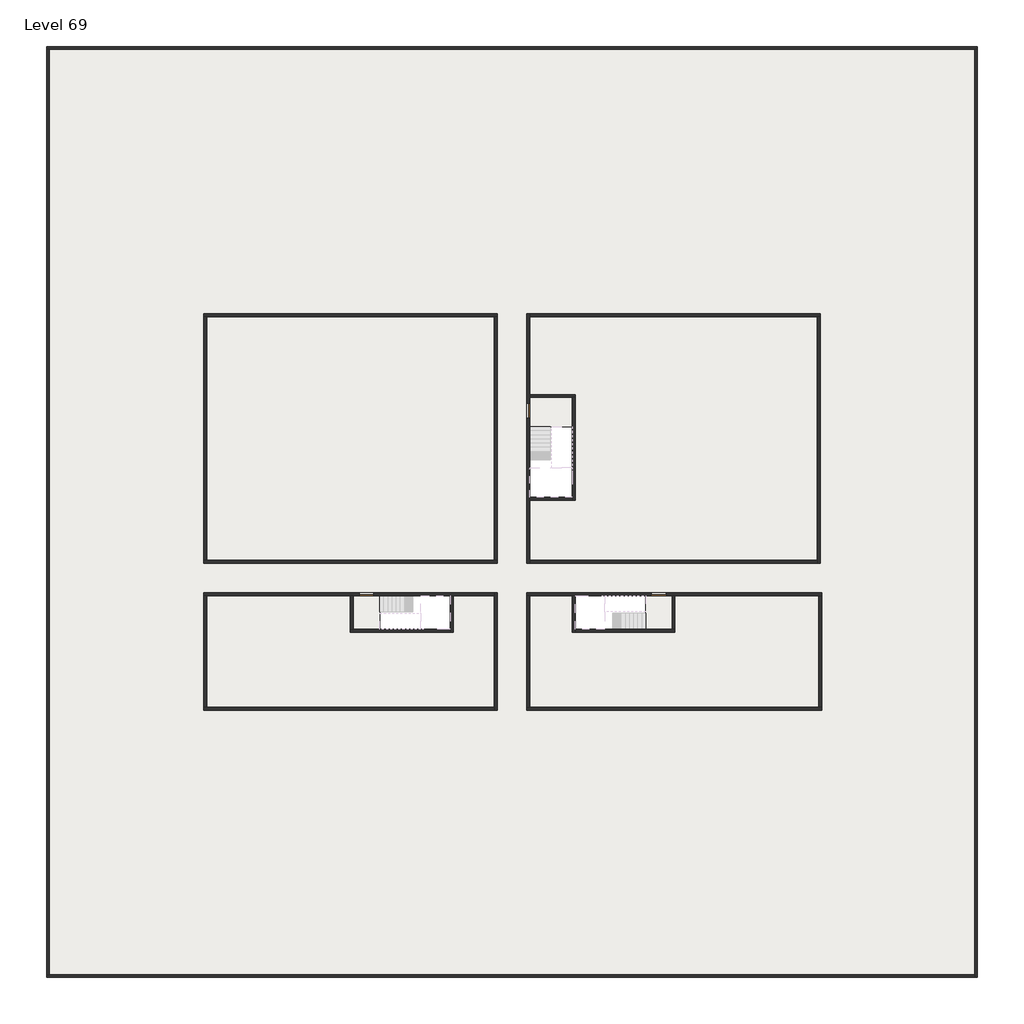
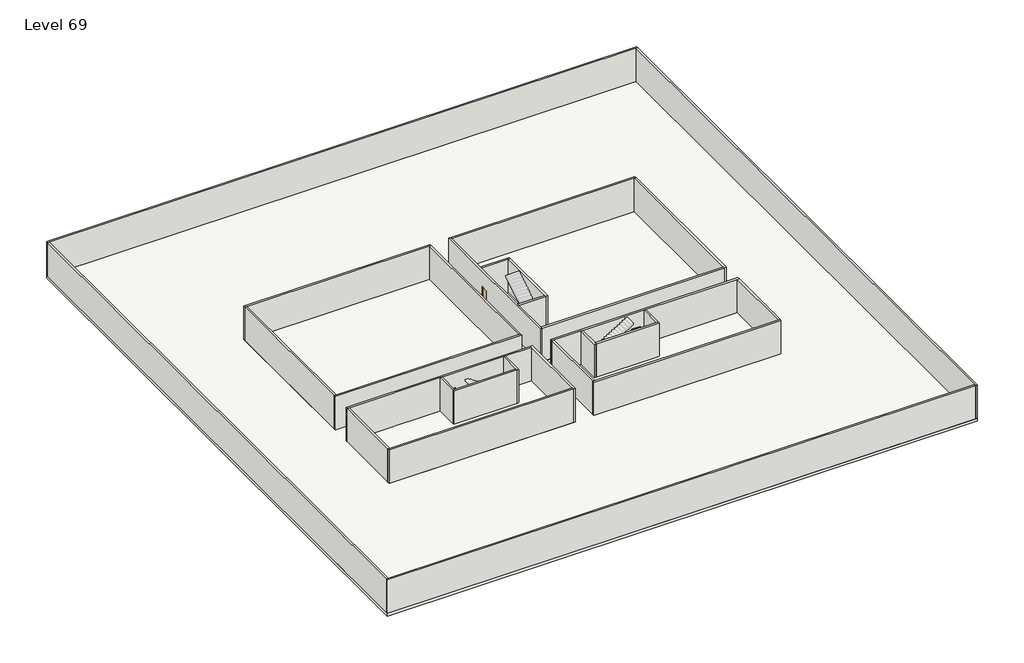
# One storey, part 1 of 2: 29 walls, 3 doors, 3 slabs.
"""IFC4 building model written with IfcOpenShell, lengths in millimetres."""

import ifcopenshell
import ifcopenshell.guid

model = None  # the IFC model being written
_history = None  # IfcOwnerHistory: only IFC2X3 demands one
_inside = {}  # id of a spatial element -> (the spatial element, [elements in it])
_under = {}  # id of a project, library or spatial element -> (it, [spatial elements below it])
_declared = {}  # id of a project -> (the project, [libraries it declares])
_typed = {}  # id of a type object -> (the type object, [elements of that type])
_made_of = {}  # id of a material, layer set ... -> (it, [elements and type objects made of it])


def new_model(schema):
    """Start an empty IFC model of exactly this schema.

    Asked for "IFC4X3", IfcOpenShell would pick the latest addendum, in which some entities
    have other attributes; the version numbers below select the first issue.
    IFC2X3 requires an IfcOwnerHistory on every rooted entity: one is made here for all.
    """
    global model, _history
    if schema == "IFC4X3":
        model = ifcopenshell.file(schema_version=(4, 3, 0, 0))
    else:
        model = ifcopenshell.file(schema=schema)
    _inside.clear()
    _under.clear()
    _declared.clear()
    _typed.clear()
    _made_of.clear()
    _history = None
    if model.schema == "IFC2X3":
        org = make("IfcOrganization", Name="unknown")
        user = make(
            "IfcPersonAndOrganization",
            ThePerson=make("IfcPerson", FamilyName="unknown"),
            TheOrganization=org,
        )
        app = make(
            "IfcApplication",
            ApplicationDeveloper=org,
            Version="unknown",
            ApplicationFullName="unknown",
            ApplicationIdentifier="unknown",
        )
        _history = make(
            "IfcOwnerHistory",
            OwningUser=user,
            OwningApplication=app,
            ChangeAction="ADDED",
            CreationDate=0,
        )
    return model


def make(cls, **values):
    """One entity of the class cls with the attributes given. An attribute that is None is left unset."""
    return model.create_entity(
        cls, **{name: value for name, value in values.items() if value is not None}
    )


def rooted(cls, **values):
    """An entity with a GlobalId (a new one), such as an element, a storey or a relation."""
    return make(cls, GlobalId=ifcopenshell.guid.new(), OwnerHistory=_history, **values)


def si_unit(unit_type, name, prefix=None):
    """IfcSIUnit, for example si_unit("LENGTHUNIT", "METRE", prefix="MILLI")."""
    return make("IfcSIUnit", UnitType=unit_type, Prefix=prefix, Name=name)


def assignment(units):
    """IfcUnitAssignment: the units of a project."""
    return None if units is None else make("IfcUnitAssignment", Units=units)


def point(xyz):
    """IfcCartesianPoint."""
    return None if xyz is None else make("IfcCartesianPoint", Coordinates=xyz)


def direction(xyz):
    """IfcDirection."""
    return None if xyz is None else make("IfcDirection", DirectionRatios=xyz)


def frame(location, z_axis=None, x_axis=None):
    """IfcAxis2Placement3D, a coordinate frame: its origin and axes. An axis left out is left unset."""
    return make(
        "IfcAxis2Placement3D",
        Location=point(location),
        Axis=direction(z_axis),
        RefDirection=direction(x_axis),
    )


def origin():
    """The frame at (0, 0, 0) with its axes left unset."""
    return frame((0.0, 0.0, 0.0))


def origin_with_axes():
    """The frame at (0, 0, 0) with the z axis (0, 0, 1) and the x axis (1, 0, 0) written out."""
    return frame((0.0, 0.0, 0.0), z_axis=(0.0, 0.0, 1.0), x_axis=(1.0, 0.0, 0.0))


def place(relative_to, where):
    """IfcLocalPlacement: puts the frame where relative to a parent placement (None: the world)."""
    return make(
        "IfcLocalPlacement", PlacementRelTo=relative_to, RelativePlacement=where
    )


def context(
    kind, dimensions, precision=None, world=None, true_north=None, identifier=None
):
    """IfcGeometricRepresentationContext, for example the 3D "Model" context."""
    return make(
        "IfcGeometricRepresentationContext",
        ContextIdentifier=identifier,
        ContextType=kind,
        CoordinateSpaceDimension=dimensions,
        Precision=precision,
        WorldCoordinateSystem=world,
        TrueNorth=true_north,
    )


def project(units=None, contexts=None):
    """IfcProject with its units and contexts."""
    return rooted(
        "IfcProject",
        Name="project",
        RepresentationContexts=contexts,
        UnitsInContext=assignment(units),
    )


def spatial(cls, under=None, at=None, **own):
    """A site, building, storey or space (cls), placed at a placement, below another one or the project."""
    s = rooted(cls, ObjectPlacement=at, **own)
    if under is not None:
        _under.setdefault(under.id(), (under, []))[1].append(s)
    return s


def polyline(points):
    """IfcPolyline through the points."""
    return make("IfcPolyline", Points=[point(p) for p in points])


def outline(outer, holes=None, kind="AREA"):
    """IfcArbitraryClosedProfileDef: a profile drawn as a closed curve; with holes, ...WithVoids."""
    if holes is None:
        return make("IfcArbitraryClosedProfileDef", ProfileType=kind, OuterCurve=outer)
    return make(
        "IfcArbitraryProfileDefWithVoids",
        ProfileType=kind,
        OuterCurve=outer,
        InnerCurves=holes,
    )


def extrude(swept, where, along, depth):
    """IfcExtrudedAreaSolid: the profile swept, set in the frame where, extruded along a direction by depth."""
    return make(
        "IfcExtrudedAreaSolid",
        SweptArea=swept,
        Position=where,
        ExtrudedDirection=direction(along),
        Depth=depth,
    )


def faces_of(points, faces, orient=None, outer=None):
    """IfcFace entities. A face is a list of loops; a loop is a list of indices into points, from 0.

    orient and outer hold one flag for each loop. By default every Orientation is true, the
    first loop of a face is its IfcFaceOuterBound and the others are IfcFaceBound.
    """
    made = []
    for i, loops in enumerate(faces):
        bounds = []
        for j, loop in enumerate(loops):
            is_outer = j == 0 if outer is None else outer[i][j]
            bounds.append(
                make(
                    "IfcFaceOuterBound" if is_outer else "IfcFaceBound",
                    Bound=make("IfcPolyLoop", Polygon=[points[k] for k in loop]),
                    Orientation=True if orient is None else orient[i][j],
                )
            )
        made.append(make("IfcFace", Bounds=bounds))
    return made


def faceted_brep(points, faces, orient=None, outer=None, voids=None):
    """IfcFacetedBrep: a solid bounded by flat faces; with voids (closed shells), ...WithVoids."""
    shared = [point(p) for p in points]
    hull = make("IfcClosedShell", CfsFaces=faces_of(shared, faces, orient, outer))
    if voids is None:
        return make("IfcFacetedBrep", Outer=hull)
    return make(
        "IfcFacetedBrepWithVoids",
        Outer=hull,
        Voids=[
            make(cls, CfsFaces=faces_of(shared, fs, o, b)) for cls, fs, o, b in voids
        ],
    )


def shape(context_of_items, identifier, shape_type, items):
    """IfcShapeRepresentation: the items that make up one representation, for example the "Body"."""
    return make(
        "IfcShapeRepresentation",
        ContextOfItems=context_of_items,
        RepresentationIdentifier=identifier,
        RepresentationType=shape_type,
        Items=items,
    )


def source(mapping_origin, context_of_items, identifier, shape_type, items):
    """IfcRepresentationMap: a shape defined once, which mapped items show again and again."""
    return make(
        "IfcRepresentationMap",
        MappingOrigin=mapping_origin,
        MappedRepresentation=shape(context_of_items, identifier, shape_type, items),
    )


def transform(
    local_origin,
    x_axis=None,
    y_axis=None,
    z_axis=None,
    scale=None,
    scale2=None,
    scale3=None,
    uniform=True,
):
    """IfcCartesianTransformationOperator3D, or its non-uniform kind. x_axis, y_axis, z_axis: its Axis1, 2, 3."""
    if uniform:
        return make(
            "IfcCartesianTransformationOperator3D",
            Axis1=direction(x_axis),
            Axis2=direction(y_axis),
            LocalOrigin=point(local_origin),
            Scale=scale,
            Axis3=direction(z_axis),
        )
    return make(
        "IfcCartesianTransformationOperator3DnonUniform",
        Axis1=direction(x_axis),
        Axis2=direction(y_axis),
        LocalOrigin=point(local_origin),
        Scale=scale,
        Axis3=direction(z_axis),
        Scale2=scale2,
        Scale3=scale3,
    )


def mapped(mapping_source, mapping_target):
    """IfcMappedItem: shows the shape of a source again, moved by a transform."""
    return make(
        "IfcMappedItem", MappingSource=mapping_source, MappingTarget=mapping_target
    )


def made_of(thing, what):
    """Note that an element or type object is made of a material, layer set ...; save() writes the relation."""
    if what is not None:
        _made_of.setdefault(what.id(), (what, []))[1].append(thing)
    return thing


def element(
    cls,
    number,
    at=None,
    inside=None,
    cuts=None,
    type_object=None,
    material=None,
    context=None,
    identifier="Body",
    shape_type=None,
    held_by="IfcProductDefinitionShape",
    body=None,
    shapes=None,
    **own,
):
    """One element of the class cls, such as IfcWall. Its Tag is "e" and its number.

    at: its placement. inside: the storey or other place that contains it. cuts: it is an
    opening in that element (IfcRelVoidsElement). A single representation is given by context,
    identifier, shape_type and body (its items); several are given by shapes. held_by: the class
    of the entity that holds the representations. save() writes the other relations.
    """
    e = rooted(cls, Tag="e%d" % number, ObjectPlacement=at, **own)
    if body is not None:
        shapes = [shape(context, identifier, shape_type, body)]
    if shapes is not None:
        e.Representation = make(held_by, Representations=shapes)
    if inside is not None:
        _inside.setdefault(inside.id(), (inside, []))[1].append(e)
    if cuts is not None:
        rooted(
            "IfcRelVoidsElement", RelatingBuildingElement=cuts, RelatedOpeningElement=e
        )
    if type_object is not None:
        _typed.setdefault(type_object.id(), (type_object, []))[1].append(e)
    return made_of(e, material)


def aggregate(whole, parts):
    """IfcRelAggregates: a whole, such as a stair, and the parts it consists of."""
    return rooted("IfcRelAggregates", RelatingObject=whole, RelatedObjects=parts)


def save(model, path):
    """Write the relations noted so far, then the file.

    IfcRelAggregates (storeys below a building ...), IfcRelContainedInSpatialStructure (elements
    in a storey), IfcRelDefinesByType, IfcRelAssociatesMaterial and IfcRelDeclares: one each for
    every whole, place, type object, material and project.
    """
    for whole, parts in _under.values():
        aggregate(whole, parts)
    for where, things in _inside.values():
        rooted(
            "IfcRelContainedInSpatialStructure",
            RelatedElements=things,
            RelatingStructure=where,
        )
    for kind, things in _typed.values():
        rooted("IfcRelDefinesByType", RelatedObjects=things, RelatingType=kind)
    for what, things in _made_of.values():
        rooted("IfcRelAssociatesMaterial", RelatedObjects=things, RelatingMaterial=what)
    for by, libraries in _declared.values():
        rooted("IfcRelDeclares", RelatingContext=by, RelatedDefinitions=libraries)
    model.write(path)


def door_fb3c37fd(model_context):
    return source(origin(), model_context, "Body", "SweptSolid", [
        extrude(outline(polyline([(500.0, 49.0), (-500.0, 49.0), (-500.0, 100.0), (500.0, 100.0), (500.0, 49.0)])), origin_with_axes(), (0.0, 0.0, 1.0), 2100.0),
    ])


def door_0317a72c(model_context):
    return source(origin(), model_context, "Body", "SweptSolid", [
        extrude(outline(polyline([(500.0, -49.0), (500.0, -100.0), (-500.0, -100.0), (-500.0, -49.0), (500.0, -49.0)])), origin_with_axes(), (0.0, 0.0, 1.0), 2100.0),
    ])


model = new_model("IFC4")

# Units and contexts
model_context = context("Model", 3, world=origin())
ifc_project = project(units=[si_unit("LENGTHUNIT", "METRE", prefix="MILLI")], contexts=[model_context])

# Site, building, storey
site = spatial("IfcSite", under=ifc_project)
building = spatial("IfcBuilding", under=site)
storey = spatial("IfcBuildingStorey", under=building, Name="Level 69", Elevation=258400.0)

# Doors
placement = place(None, origin())
door_shape = door_fb3c37fd(model_context)
element("IfcDoor", 1, at=placement, inside=storey, context=model_context, shape_type="MappedRepresentation", body=[
    mapped(door_shape, transform((14290.1058784, -42818.09644, 258400.0), x_axis=(-1.0, 0.0, 0.0), y_axis=(0.0, -1.0, 0.0), z_axis=(0.0, 0.0, 1.0))),
])
door_2_shape = door_0317a72c(model_context)
element("IfcDoor", 2, at=placement, inside=storey, context=model_context, shape_type="MappedRepresentation", body=[
    mapped(door_2_shape, transform((25290.1058784, -30318.09644, 258400.0), x_axis=(0.0, 1.0, 0.0), y_axis=(-1.0, 0.0, 0.0), z_axis=(0.0, 0.0, 1.0))),
])
element("IfcDoor", 3, at=placement, inside=storey, context=model_context, shape_type="MappedRepresentation", body=[
    mapped(door_2_shape, transform((34190.1058784, -42818.09644, 258400.0), x_axis=(1.0, 0.0, 0.0), y_axis=(0.0, 1.0, 0.0), z_axis=(0.0, 0.0, 1.0))),
])

# Slabs
element("IfcSlab", 4, at=placement, inside=storey, context=model_context, shape_type="SweptSolid", body=[
    extrude(outline(polyline([(55890.1058784, -5518.09644), (55890.1058784, -68918.09644), (-7509.8941216, -68918.09644), (-7509.8941216, -5518.09644), (55890.1058784, -5518.09644)]), holes=[polyline([(23190.1058784, -23718.09644), (3190.1058784, -23718.09644), (3190.1058784, -40718.09644), (23190.1058784, -40718.09644), (23190.1058784, -23718.09644)]), polyline([(45190.1058784, -23718.09644), (25190.1058784, -23718.09644), (25190.1058784, -40718.09644), (45190.1058784, -40718.09644), (45190.1058784, -23718.09644)]), polyline([(23190.1058784, -50718.09644), (23190.1058784, -42718.09644), (3390.1058784, -42718.09644), (3390.1058784, -50718.09644), (23190.1058784, -50718.09644)]), polyline([(25190.1058784, -50718.09644), (45190.1058784, -50718.09644), (45190.1058784, -42718.09644), (25190.1058784, -42718.09644), (25190.1058784, -50718.09644)])]), frame((0.0, 0.0, 258100.0), z_axis=(0.0, 0.0, 1.0), x_axis=(1.0, 0.0, 0.0)), (0.0, 0.0, 1.0), 300.0),
])
element("IfcSlab", 5, at=placement, inside=storey, context=model_context, shape_type="SweptSolid", body=[
    extrude(outline(polyline([(22990.1058784, -23918.09644), (22990.1058784, -40518.09644), (3390.1058784, -40518.09644), (3390.1058784, -23918.09644), (22990.1058784, -23918.09644)])), frame((0.0, 0.0, 258100.0), z_axis=(0.0, 0.0, 1.0), x_axis=(1.0, 0.0, 0.0)), (0.0, 0.0, 1.0), 300.0),
    extrude(outline(polyline([(44990.1058784, -23918.09644), (44990.1058784, -40518.09644), (25390.1058784, -40518.09644), (25390.1058784, -36418.09644), (28490.1058784, -36418.09644), (28490.1058784, -29218.09644), (25390.1058784, -29218.09644), (25390.1058784, -23918.09644), (44990.1058784, -23918.09644)])), frame((0.0, 0.0, 258100.0), z_axis=(0.0, 0.0, 1.0), x_axis=(1.0, 0.0, 0.0)), (0.0, 0.0, 1.0), 300.0),
    extrude(outline(polyline([(22990.1058784, -42918.09644), (22990.1058784, -50518.09644), (3390.1058784, -50518.09644), (3390.1058784, -42918.09644), (13190.1058784, -42918.09644), (13190.1058784, -45418.09644), (20190.1058784, -45418.09644), (20190.1058784, -42918.09644), (22990.1058784, -42918.09644)])), frame((0.0, 0.0, 258100.0), z_axis=(0.0, 0.0, 1.0), x_axis=(1.0, 0.0, 0.0)), (0.0, 0.0, 1.0), 300.0),
    extrude(outline(polyline([(28290.1058784, -42918.09644), (28290.1058784, -45418.09644), (35290.1058784, -45418.09644), (35290.1058784, -42918.09644), (45090.1058784, -42918.09644), (45090.1058784, -50518.09644), (25390.1058784, -50518.09644), (25390.1058784, -42918.09644), (28290.1058784, -42918.09644)])), frame((0.0, 0.0, 258100.0), z_axis=(0.0, 0.0, 1.0), x_axis=(1.0, 0.0, 0.0)), (0.0, 0.0, 1.0), 300.0),
])
element("IfcSlab", 6, at=placement, inside=storey, context=model_context, shape_type="SweptSolid", body=[
    extrude(outline(polyline([(25190.1058784, -29418.09644), (28290.1058784, -29418.09644), (28290.1058784, -31418.09644), (25190.1058784, -31418.09644), (25190.1058784, -29418.09644)])), frame((0.0, 0.0, 258100.0), z_axis=(0.0, 0.0, 1.0), x_axis=(1.0, 0.0, 0.0)), (0.0, 0.0, 1.0), 300.0),
    extrude(outline(polyline([(15190.1058784, -45218.09644), (13390.1058784, -45218.09644), (13390.1058784, -42718.09644), (15190.1058784, -42718.09644), (15190.1058784, -45218.09644)])), frame((0.0, 0.0, 258100.0), z_axis=(0.0, 0.0, 1.0), x_axis=(1.0, 0.0, 0.0)), (0.0, 0.0, 1.0), 300.0),
    extrude(outline(polyline([(35090.1058784, -45218.09644), (33290.1058784, -45218.09644), (33290.1058784, -42718.09644), (35090.1058784, -42718.09644), (35090.1058784, -45218.09644)])), frame((0.0, 0.0, 258100.0), z_axis=(0.0, 0.0, 1.0), x_axis=(1.0, 0.0, 0.0)), (0.0, 0.0, 1.0), 300.0),
])

# Walls
element("IfcWall", 7, at=placement, inside=storey, context=model_context, shape_type="Brep", body=[
    faceted_brep([(-7509.8941216, -5718.09644, 258400.0), (-7309.8941216, -5718.09644, 258400.0), (55690.1058784, -5718.09644, 258400.0), (55890.1058784, -5718.09644, 258400.0), (55890.1058784, -5718.09644, 262200.0), (55690.1058784, -5718.09644, 262200.0), (-7309.8941216, -5718.09644, 262200.0), (-7509.8941216, -5718.09644, 262200.0), (-7509.8941216, -5518.09644, 258400.0), (-7509.8941216, -5518.09644, 262200.0), (55890.1058784, -5518.09644, 262200.0), (55890.1058784, -5518.09644, 258400.0)], [[[0, 1, 2, 3, 4, 5, 6, 7]], [[8, 9, 10, 11]], [[3, 2, 1, 0, 8, 11]], [[7, 6, 5, 4, 10, 9]], [[4, 3, 11, 10]], [[0, 7, 9, 8]]]),
])
element("IfcWall", 8, at=placement, inside=storey, context=model_context, shape_type="Brep", body=[
    faceted_brep([(55690.1058784, -5718.09644, 258400.0), (55690.1058784, -68718.09644, 258400.0), (55690.1058784, -68918.09644, 258400.0), (55690.1058784, -68918.09644, 262200.0), (55690.1058784, -68718.09644, 262200.0), (55690.1058784, -5718.09644, 262200.0), (55890.1058784, -5718.09644, 258400.0), (55890.1058784, -5718.09644, 262200.0), (55890.1058784, -68918.09644, 262200.0), (55890.1058784, -68918.09644, 258400.0)], [[[0, 1, 2, 3, 4, 5]], [[6, 7, 8, 9]], [[2, 1, 0, 6, 9]], [[5, 4, 3, 8, 7]], [[0, 5, 7, 6]], [[3, 2, 9, 8]]]),
])
element("IfcWall", 9, at=placement, inside=storey, context=model_context, shape_type="Brep", body=[
    faceted_brep([(55690.1058784, -68718.09644, 258400.0), (-7309.8941216, -68718.09644, 258400.0), (-7509.8941216, -68718.09644, 258400.0), (-7509.8941216, -68718.09644, 262200.0), (-7309.8941216, -68718.09644, 262200.0), (55690.1058784, -68718.09644, 262200.0), (55690.1058784, -68918.09644, 258400.0), (55690.1058784, -68918.09644, 262200.0), (-7509.8941216, -68918.09644, 262200.0), (-7509.8941216, -68918.09644, 258400.0)], [[[0, 1, 2, 3, 4, 5]], [[6, 7, 8, 9]], [[2, 1, 0, 6, 9]], [[5, 4, 3, 8, 7]], [[0, 5, 7, 6]], [[3, 2, 9, 8]]]),
])
element("IfcWall", 10, at=placement, inside=storey, context=model_context, shape_type="SweptSolid", body=[
    extrude(outline(polyline([(-7309.8941216, -5718.09644), (-7309.8941216, -68718.09644), (-7509.8941216, -68718.09644), (-7509.8941216, -5718.09644), (-7309.8941216, -5718.09644)])), frame((0.0, 0.0, 258400.0), z_axis=(0.0, 0.0, 1.0), x_axis=(1.0, 0.0, 0.0)), (0.0, 0.0, 1.0), 3800.0),
])
element("IfcWall", 11, at=placement, inside=storey, context=model_context, shape_type="Brep", body=[
    faceted_brep([(3190.1058784, -23918.09644, 258400.0), (3390.1058784, -23918.09644, 258400.0), (22990.1058784, -23918.09644, 258400.0), (23190.1058784, -23918.09644, 258400.0), (23190.1058784, -23918.09644, 262200.0), (22990.1058784, -23918.09644, 262200.0), (3390.1058784, -23918.09644, 262200.0), (3190.1058784, -23918.09644, 262200.0), (3190.1058784, -23718.09644, 258400.0), (3190.1058784, -23718.09644, 262200.0), (23190.1058784, -23718.09644, 262200.0), (23190.1058784, -23718.09644, 258400.0)], [[[0, 1, 2, 3, 4, 5, 6, 7]], [[8, 9, 10, 11]], [[3, 2, 1, 0, 8, 11]], [[7, 6, 5, 4, 10, 9]], [[0, 7, 9, 8]], [[4, 3, 11, 10]]]),
])
element("IfcWall", 12, at=placement, inside=storey, context=model_context, shape_type="Brep", body=[
    faceted_brep([(44990.1058784, -23918.09644, 258400.0), (44990.1058784, -40518.09644, 258400.0), (44990.1058784, -40718.09644, 258400.0), (44990.1058784, -40718.09644, 262200.0), (44990.1058784, -40518.09644, 262200.0), (44990.1058784, -23918.09644, 262200.0), (45190.1058784, -23918.09644, 258400.0), (45190.1058784, -23918.09644, 262200.0), (45190.1058784, -40718.09644, 262200.0), (45190.1058784, -40718.09644, 258400.0)], [[[0, 1, 2, 3, 4, 5]], [[6, 7, 8, 9]], [[2, 1, 0, 6, 9]], [[5, 4, 3, 8, 7]], [[3, 2, 9, 8]], [[0, 5, 7, 6]]]),
])
element("IfcWall", 13, at=placement, inside=storey, context=model_context, shape_type="Brep", body=[
    faceted_brep([(45290.1058784, -50518.09644, 258400.0), (45090.1058784, -50518.09644, 258400.0), (25390.1058784, -50518.09644, 258400.0), (25190.1058784, -50518.09644, 258400.0), (25190.1058784, -50518.09644, 262200.0), (25390.1058784, -50518.09644, 262200.0), (45090.1058784, -50518.09644, 262200.0), (45290.1058784, -50518.09644, 262200.0), (45290.1058784, -50718.09644, 258400.0), (45290.1058784, -50718.09644, 262200.0), (25190.1058784, -50718.09644, 262200.0), (25190.1058784, -50718.09644, 258400.0)], [[[0, 1, 2, 3, 4, 5, 6, 7]], [[8, 9, 10, 11]], [[3, 2, 1, 0, 8, 11]], [[7, 6, 5, 4, 10, 9]], [[4, 3, 11, 10]], [[0, 7, 9, 8]]]),
])
element("IfcWall", 14, at=placement, inside=storey, context=model_context, shape_type="SweptSolid", body=[
    extrude(outline(polyline([(22990.1058784, -40518.09644), (22990.1058784, -23918.09644), (23190.1058784, -23918.09644), (23190.1058784, -40518.09644), (22990.1058784, -40518.09644)])), frame((0.0, 0.0, 258400.0), z_axis=(0.0, 0.0, 1.0), x_axis=(1.0, 0.0, 0.0)), (0.0, 0.0, 1.0), 3800.0),
])
element("IfcWall", 15, at=placement, inside=storey, context=model_context, shape_type="Brep", body=[
    faceted_brep([(23190.1058784, -40518.09644, 258400.0), (22990.1058784, -40518.09644, 258400.0), (3390.1058784, -40518.09644, 258400.0), (3190.1058784, -40518.09644, 258400.0), (3190.1058784, -40518.09644, 262200.0), (3390.1058784, -40518.09644, 262200.0), (22990.1058784, -40518.09644, 262200.0), (23190.1058784, -40518.09644, 262200.0), (23190.1058784, -40718.09644, 258400.0), (23190.1058784, -40718.09644, 262200.0), (3190.1058784, -40718.09644, 262200.0), (3190.1058784, -40718.09644, 258400.0)], [[[0, 1, 2, 3, 4, 5, 6, 7]], [[8, 9, 10, 11]], [[3, 2, 1, 0, 8, 11]], [[7, 6, 5, 4, 10, 9]], [[4, 3, 11, 10]], [[0, 7, 9, 8]]]),
])
element("IfcWall", 16, at=placement, inside=storey, context=model_context, shape_type="Brep", body=[
    faceted_brep([(3190.1058784, -42918.09644, 258400.0), (3390.1058784, -42918.09644, 258400.0), (13190.1058784, -42918.09644, 258400.0), (13390.1058784, -42918.09644, 258400.0), (13790.1058784, -42918.09644, 258400.0), (13790.1058784, -42918.09644, 260500.0), (14790.1058784, -42918.09644, 260500.0), (14790.1058784, -42918.09644, 258400.0), (19990.1058784, -42918.09644, 258400.0), (20190.1058784, -42918.09644, 258400.0), (22990.1058784, -42918.09644, 258400.0), (22990.1058784, -42918.09644, 262200.0), (20190.1058784, -42918.09644, 262200.0), (19990.1058784, -42918.09644, 262200.0), (13390.1058784, -42918.09644, 262200.0), (13190.1058784, -42918.09644, 262200.0), (3390.1058784, -42918.09644, 262200.0), (3190.1058784, -42918.09644, 262200.0), (13790.1058784, -42718.09644, 260500.0), (13790.1058784, -42718.09644, 258400.0), (3190.1058784, -42718.09644, 258400.0), (3190.1058784, -42718.09644, 262200.0), (22990.1058784, -42718.09644, 262200.0), (22990.1058784, -42718.09644, 258400.0), (14790.1058784, -42718.09644, 258400.0), (14790.1058784, -42718.09644, 260500.0)], [[[0, 1, 2, 3, 4, 5, 6, 7, 8, 9, 10, 11, 12, 13, 14, 15, 16, 17]], [[18, 19, 20, 21, 22, 23, 24, 25]], [[24, 23, 10, 9, 8, 7]], [[20, 19, 4, 3, 2, 1, 0]], [[17, 16, 15, 14, 13, 12, 11, 22, 21]], [[5, 4, 19, 18]], [[6, 5, 18, 25]], [[7, 6, 25, 24]], [[0, 17, 21, 20]], [[11, 10, 23, 22]]]),
])
element("IfcWall", 17, at=placement, inside=storey, context=model_context, shape_type="SweptSolid", body=[
    extrude(outline(polyline([(25390.1058784, -40518.09644), (44990.1058784, -40518.09644), (44990.1058784, -40718.09644), (25390.1058784, -40718.09644), (25390.1058784, -40518.09644)])), frame((0.0, 0.0, 258400.0), z_axis=(0.0, 0.0, 1.0), x_axis=(1.0, 0.0, 0.0)), (0.0, 0.0, 1.0), 3800.0),
])
element("IfcWall", 18, at=placement, inside=storey, context=model_context, shape_type="Brep", body=[
    faceted_brep([(25390.1058784, -29818.09644, 260500.0), (25390.1058784, -29818.09644, 258400.0), (25390.1058784, -29418.09644, 258400.0), (25390.1058784, -29218.09644, 258400.0), (25390.1058784, -23918.09644, 258400.0), (25390.1058784, -23718.09644, 258400.0), (25390.1058784, -23718.09644, 262200.0), (25390.1058784, -23918.09644, 262200.0), (25390.1058784, -29218.09644, 262200.0), (25390.1058784, -29418.09644, 262200.0), (25390.1058784, -36218.09644, 262200.0), (25390.1058784, -36418.09644, 262200.0), (25390.1058784, -40518.09644, 262200.0), (25390.1058784, -40718.09644, 262200.0), (25390.1058784, -40718.09644, 258400.0), (25390.1058784, -40518.09644, 258400.0), (25390.1058784, -36418.09644, 258400.0), (25390.1058784, -36218.09644, 258400.0), (25390.1058784, -30818.09644, 258400.0), (25390.1058784, -30818.09644, 260500.0), (25190.1058784, -23718.09644, 258400.0), (25190.1058784, -29818.09644, 258400.0), (25190.1058784, -29818.09644, 260500.0), (25190.1058784, -30818.09644, 260500.0), (25190.1058784, -30818.09644, 258400.0), (25190.1058784, -40718.09644, 258400.0), (25190.1058784, -40718.09644, 262200.0), (25190.1058784, -23718.09644, 262200.0)], [[[0, 1, 2, 3, 4, 5, 6, 7, 8, 9, 10, 11, 12, 13, 14, 15, 16, 17, 18, 19]], [[20, 21, 22, 23, 24, 25, 26, 27]], [[5, 4, 3, 2, 1, 21, 20]], [[18, 17, 16, 15, 14, 25, 24]], [[13, 12, 11, 10, 9, 8, 7, 6, 27, 26]], [[22, 21, 1, 0]], [[23, 22, 0, 19]], [[24, 23, 19, 18]], [[14, 13, 26, 25]], [[6, 5, 20, 27]]]),
])
element("IfcWall", 19, at=placement, inside=storey, context=model_context, shape_type="SweptSolid", body=[
    extrude(outline(polyline([(3390.1058784, -23918.09644), (3390.1058784, -40518.09644), (3190.1058784, -40518.09644), (3190.1058784, -23918.09644), (3390.1058784, -23918.09644)])), frame((0.0, 0.0, 258400.0), z_axis=(0.0, 0.0, 1.0), x_axis=(1.0, 0.0, 0.0)), (0.0, 0.0, 1.0), 3800.0),
])
element("IfcWall", 20, at=placement, inside=storey, context=model_context, shape_type="Brep", body=[
    faceted_brep([(25390.1058784, -23918.09644, 258400.0), (44990.1058784, -23918.09644, 258400.0), (45190.1058784, -23918.09644, 258400.0), (45190.1058784, -23918.09644, 262200.0), (44990.1058784, -23918.09644, 262200.0), (25390.1058784, -23918.09644, 262200.0), (25390.1058784, -23718.09644, 258400.0), (25390.1058784, -23718.09644, 262200.0), (45190.1058784, -23718.09644, 262200.0), (45190.1058784, -23718.09644, 258400.0)], [[[0, 1, 2, 3, 4, 5]], [[6, 7, 8, 9]], [[2, 1, 0, 6, 9]], [[5, 4, 3, 8, 7]], [[3, 2, 9, 8]], [[0, 5, 7, 6]]]),
])
element("IfcWall", 21, at=placement, inside=storey, context=model_context, shape_type="Brep", body=[
    faceted_brep([(25390.1058784, -29418.09644, 258400.0), (28290.1058784, -29418.09644, 258400.0), (28490.1058784, -29418.09644, 258400.0), (28490.1058784, -29418.09644, 262200.0), (28290.1058784, -29418.09644, 262200.0), (25390.1058784, -29418.09644, 262200.0), (25390.1058784, -29218.09644, 258400.0), (25390.1058784, -29218.09644, 262200.0), (28490.1058784, -29218.09644, 262200.0), (28490.1058784, -29218.09644, 258400.0)], [[[0, 1, 2, 3, 4, 5]], [[6, 7, 8, 9]], [[2, 1, 0, 6, 9]], [[5, 4, 3, 8, 7]], [[3, 2, 9, 8]], [[0, 5, 7, 6]]]),
])
element("IfcWall", 22, at=placement, inside=storey, context=model_context, shape_type="Brep", body=[
    faceted_brep([(28290.1058784, -29418.09644, 258400.0), (28290.1058784, -36218.09644, 258400.0), (28290.1058784, -36418.09644, 258400.0), (28290.1058784, -36418.09644, 262200.0), (28290.1058784, -36218.09644, 262200.0), (28290.1058784, -29418.09644, 262200.0), (28490.1058784, -29418.09644, 258400.0), (28490.1058784, -29418.09644, 262200.0), (28490.1058784, -36418.09644, 262200.0), (28490.1058784, -36418.09644, 258400.0)], [[[0, 1, 2, 3, 4, 5]], [[6, 7, 8, 9]], [[2, 1, 0, 6, 9]], [[5, 4, 3, 8, 7]], [[3, 2, 9, 8]], [[0, 5, 7, 6]]]),
])
element("IfcWall", 23, at=placement, inside=storey, context=model_context, shape_type="SweptSolid", body=[
    extrude(outline(polyline([(25390.1058784, -36218.09644), (28290.1058784, -36218.09644), (28290.1058784, -36418.09644), (25390.1058784, -36418.09644), (25390.1058784, -36218.09644)])), frame((0.0, 0.0, 258400.0), z_axis=(0.0, 0.0, 1.0), x_axis=(1.0, 0.0, 0.0)), (0.0, 0.0, 1.0), 3800.0),
])
element("IfcWall", 24, at=placement, inside=storey, context=model_context, shape_type="SweptSolid", body=[
    extrude(outline(polyline([(25190.1058784, -50518.09644), (25190.1058784, -42918.09644), (25390.1058784, -42918.09644), (25390.1058784, -50518.09644), (25190.1058784, -50518.09644)])), frame((0.0, 0.0, 258400.0), z_axis=(0.0, 0.0, 1.0), x_axis=(1.0, 0.0, 0.0)), (0.0, 0.0, 1.0), 3800.0),
])
element("IfcWall", 25, at=placement, inside=storey, context=model_context, shape_type="Brep", body=[
    faceted_brep([(22990.1058784, -42718.09644, 258400.0), (22990.1058784, -42918.09644, 258400.0), (22990.1058784, -50518.09644, 258400.0), (22990.1058784, -50718.09644, 258400.0), (22990.1058784, -50718.09644, 262200.0), (22990.1058784, -50518.09644, 262200.0), (22990.1058784, -42918.09644, 262200.0), (22990.1058784, -42718.09644, 262200.0), (23190.1058784, -42718.09644, 258400.0), (23190.1058784, -42718.09644, 262200.0), (23190.1058784, -50718.09644, 262200.0), (23190.1058784, -50718.09644, 258400.0)], [[[0, 1, 2, 3, 4, 5, 6, 7]], [[8, 9, 10, 11]], [[3, 2, 1, 0, 8, 11]], [[7, 6, 5, 4, 10, 9]], [[4, 3, 11, 10]], [[0, 7, 9, 8]]]),
])
element("IfcWall", 26, at=placement, inside=storey, context=model_context, shape_type="Brep", body=[
    faceted_brep([(34690.1058784, -42918.09644, 260500.0), (34690.1058784, -42918.09644, 258400.0), (35090.1058784, -42918.09644, 258400.0), (35290.1058784, -42918.09644, 258400.0), (45090.1058784, -42918.09644, 258400.0), (45290.1058784, -42918.09644, 258400.0), (45290.1058784, -42918.09644, 262200.0), (45090.1058784, -42918.09644, 262200.0), (35290.1058784, -42918.09644, 262200.0), (35090.1058784, -42918.09644, 262200.0), (28490.1058784, -42918.09644, 262200.0), (28290.1058784, -42918.09644, 262200.0), (25390.1058784, -42918.09644, 262200.0), (25190.1058784, -42918.09644, 262200.0), (25190.1058784, -42918.09644, 258400.0), (25390.1058784, -42918.09644, 258400.0), (28290.1058784, -42918.09644, 258400.0), (28490.1058784, -42918.09644, 258400.0), (33690.1058784, -42918.09644, 258400.0), (33690.1058784, -42918.09644, 260500.0), (45290.1058784, -42718.09644, 258400.0), (34690.1058784, -42718.09644, 258400.0), (34690.1058784, -42718.09644, 260500.0), (33690.1058784, -42718.09644, 260500.0), (33690.1058784, -42718.09644, 258400.0), (25190.1058784, -42718.09644, 258400.0), (25190.1058784, -42718.09644, 262200.0), (45290.1058784, -42718.09644, 262200.0)], [[[0, 1, 2, 3, 4, 5, 6, 7, 8, 9, 10, 11, 12, 13, 14, 15, 16, 17, 18, 19]], [[20, 21, 22, 23, 24, 25, 26, 27]], [[5, 4, 3, 2, 1, 21, 20]], [[18, 17, 16, 15, 14, 25, 24]], [[13, 12, 11, 10, 9, 8, 7, 6, 27, 26]], [[22, 21, 1, 0]], [[23, 22, 0, 19]], [[24, 23, 19, 18]], [[14, 13, 26, 25]], [[6, 5, 20, 27]]]),
])
element("IfcWall", 27, at=placement, inside=storey, context=model_context, shape_type="Brep", body=[
    faceted_brep([(22990.1058784, -50518.09644, 258400.0), (3390.1058784, -50518.09644, 258400.0), (3190.1058784, -50518.09644, 258400.0), (3190.1058784, -50518.09644, 262200.0), (3390.1058784, -50518.09644, 262200.0), (22990.1058784, -50518.09644, 262200.0), (22990.1058784, -50718.09644, 258400.0), (22990.1058784, -50718.09644, 262200.0), (3190.1058784, -50718.09644, 262200.0), (3190.1058784, -50718.09644, 258400.0)], [[[0, 1, 2, 3, 4, 5]], [[6, 7, 8, 9]], [[2, 1, 0, 6, 9]], [[5, 4, 3, 8, 7]], [[3, 2, 9, 8]], [[0, 5, 7, 6]]]),
])
element("IfcWall", 28, at=placement, inside=storey, context=model_context, shape_type="Brep", body=[
    faceted_brep([(28290.1058784, -42918.09644, 258400.0), (28290.1058784, -45418.09644, 258400.0), (28290.1058784, -45418.09644, 262200.0), (28290.1058784, -42918.09644, 262200.0), (28490.1058784, -42918.09644, 258400.0), (28490.1058784, -42918.09644, 262200.0), (28490.1058784, -45218.09644, 262200.0), (28490.1058784, -45418.09644, 262200.0), (28490.1058784, -45418.09644, 258400.0), (28490.1058784, -45218.09644, 258400.0)], [[[0, 1, 2, 3]], [[4, 5, 6, 7, 8, 9]], [[1, 0, 4, 9, 8]], [[3, 2, 7, 6, 5]], [[2, 1, 8, 7]], [[0, 3, 5, 4]]]),
])
element("IfcWall", 29, at=placement, inside=storey, context=model_context, shape_type="Brep", body=[
    faceted_brep([(28490.1058784, -45418.09644, 258400.0), (35290.1058784, -45418.09644, 258400.0), (35290.1058784, -45418.09644, 262200.0), (28490.1058784, -45418.09644, 262200.0), (28490.1058784, -45218.09644, 258400.0), (28490.1058784, -45218.09644, 262200.0), (35090.1058784, -45218.09644, 262200.0), (35290.1058784, -45218.09644, 262200.0), (35290.1058784, -45218.09644, 258400.0), (35090.1058784, -45218.09644, 258400.0)], [[[0, 1, 2, 3]], [[4, 5, 6, 7, 8, 9]], [[1, 0, 4, 9, 8]], [[3, 2, 7, 6, 5]], [[2, 1, 8, 7]], [[0, 3, 5, 4]]]),
])
element("IfcWall", 30, at=placement, inside=storey, context=model_context, shape_type="SweptSolid", body=[
    extrude(outline(polyline([(35290.1058784, -42918.09644), (35290.1058784, -45218.09644), (35090.1058784, -45218.09644), (35090.1058784, -42918.09644), (35290.1058784, -42918.09644)])), frame((0.0, 0.0, 258400.0), z_axis=(0.0, 0.0, 1.0), x_axis=(1.0, 0.0, 0.0)), (0.0, 0.0, 1.0), 3800.0),
])
element("IfcWall", 31, at=placement, inside=storey, context=model_context, shape_type="Brep", body=[
    faceted_brep([(19990.1058784, -42918.09644, 258400.0), (19990.1058784, -45218.09644, 258400.0), (19990.1058784, -45418.09644, 258400.0), (19990.1058784, -45418.09644, 262200.0), (19990.1058784, -45218.09644, 262200.0), (19990.1058784, -42918.09644, 262200.0), (20190.1058784, -42918.09644, 258400.0), (20190.1058784, -42918.09644, 262200.0), (20190.1058784, -45418.09644, 262200.0), (20190.1058784, -45418.09644, 258400.0)], [[[0, 1, 2, 3, 4, 5]], [[6, 7, 8, 9]], [[2, 1, 0, 6, 9]], [[5, 4, 3, 8, 7]], [[3, 2, 9, 8]], [[0, 5, 7, 6]]]),
])
element("IfcWall", 32, at=placement, inside=storey, context=model_context, shape_type="Brep", body=[
    faceted_brep([(19990.1058784, -45218.09644, 258400.0), (13390.1058784, -45218.09644, 258400.0), (13190.1058784, -45218.09644, 258400.0), (13190.1058784, -45218.09644, 262200.0), (13390.1058784, -45218.09644, 262200.0), (19990.1058784, -45218.09644, 262200.0), (19990.1058784, -45418.09644, 258400.0), (19990.1058784, -45418.09644, 262200.0), (13190.1058784, -45418.09644, 262200.0), (13190.1058784, -45418.09644, 258400.0)], [[[0, 1, 2, 3, 4, 5]], [[6, 7, 8, 9]], [[2, 1, 0, 6, 9]], [[5, 4, 3, 8, 7]], [[0, 5, 7, 6]], [[3, 2, 9, 8]]]),
])
element("IfcWall", 33, at=placement, inside=storey, context=model_context, shape_type="SweptSolid", body=[
    extrude(outline(polyline([(13390.1058784, -42918.09644), (13390.1058784, -45218.09644), (13190.1058784, -45218.09644), (13190.1058784, -42918.09644), (13390.1058784, -42918.09644)])), frame((0.0, 0.0, 258400.0), z_axis=(0.0, 0.0, 1.0), x_axis=(1.0, 0.0, 0.0)), (0.0, 0.0, 1.0), 3800.0),
])
element("IfcWall", 34, at=placement, inside=storey, context=model_context, shape_type="SweptSolid", body=[
    extrude(outline(polyline([(45290.1058784, -42918.09644), (45290.1058784, -50518.09644), (45090.1058784, -50518.09644), (45090.1058784, -42918.09644), (45290.1058784, -42918.09644)])), frame((0.0, 0.0, 258400.0), z_axis=(0.0, 0.0, 1.0), x_axis=(1.0, 0.0, 0.0)), (0.0, 0.0, 1.0), 3800.0),
])
element("IfcWall", 35, at=placement, inside=storey, context=model_context, shape_type="SweptSolid", body=[
    extrude(outline(polyline([(3390.1058784, -42918.09644), (3390.1058784, -50518.09644), (3190.1058784, -50518.09644), (3190.1058784, -42918.09644), (3390.1058784, -42918.09644)])), frame((0.0, 0.0, 258400.0), z_axis=(0.0, 0.0, 1.0), x_axis=(1.0, 0.0, 0.0)), (0.0, 0.0, 1.0), 3800.0),
])

save(model, "model.ifc")
